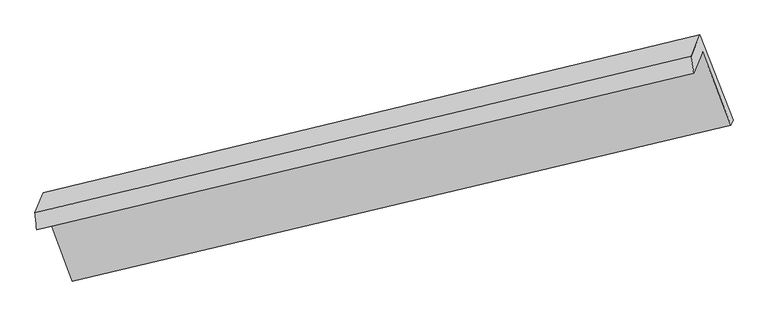
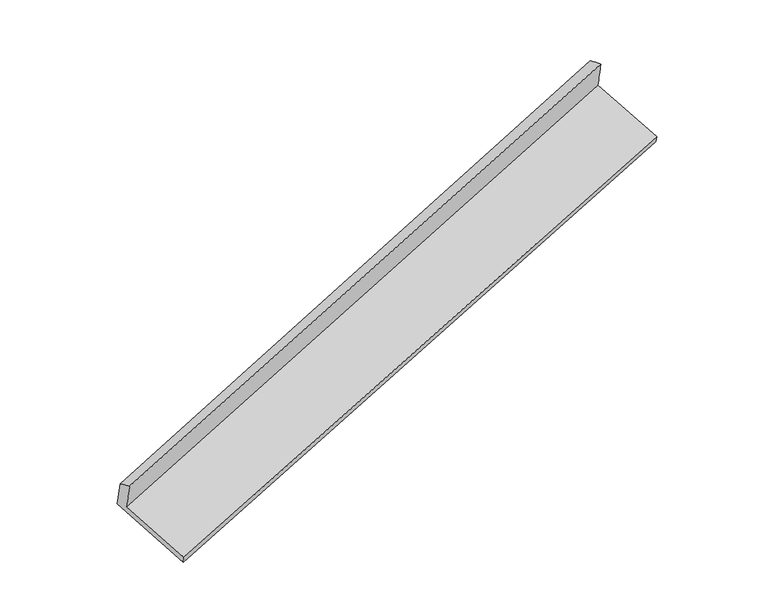
"""IFC4 building model written with IfcOpenShell, lengths in millimetres: proxy geometry."""

from ifc_helpers import new_model, si_unit, frame, origin, place, context, project, spatial, source, transform, mapped, element, save
from ifc_brep_helpers import plane_surface, spline_surface, advanced_brep


def generic_models_f76ef353(model_context):
    return source(origin(), model_context, "Body", "AdvancedBrep", [
        advanced_brep(
        [(-5906.2104538, -1993.8302948, 961.8265237), (-5660.7266301, -2650.164472, 685.760485), (335.2845192, -1232.4972053, 2606.2572215), (76.2648057, -565.8819215, 2884.681437), (-5984.8094181, -2184.6940404, 1345.705978), (-4.2437697, -761.3828099, 3277.8874747), (-6000.8486429, -2028.8524167, 1280.5082954), (-27.2454328, -605.266176, 3228.8054969), (-5925.3284007, -1845.4648165, 911.6654108), (52.9515725, -410.5218806, 2837.1211757), (-5641.6651157, -2603.8769432, 592.6635383), (354.3458043, -1186.2102334, 2513.1613947)],
        [
            (0, 1),
            (1, 2),
            (2, 3),
            (3, 0),
            (4, 0),
            (3, 5),
            (5, 4),
            (6, 4),
            (5, 7),
            (7, 6),
            (8, 6),
            (7, 9),
            (9, 8),
            (10, 8),
            (9, 11),
            (11, 10),
            (1, 10),
            (11, 2),
        ],
        [
            plane_surface(frame((-5783.4685419, -2321.9973834, 823.7935043), z_axis=(-0.17880683193160113, -0.437543306548515, 0.881240019375639), x_axis=(0.33750475288453125, -0.8686050323666391, -0.36278897382321507))),
            spline_surface(1, 1, [[(-5984.8094181, -2184.6940404, 1345.705978), (-4.2437697, -761.3828099, 3277.8874747)], [(-5906.2104538, -1993.8302948, 961.8265237), (76.2648057, -565.8819215, 2884.681437)]], [2, 2], [2, 2], [0.0, 1.0], [0.0, 1.0]),
            spline_surface(1, 1, [[(-6000.8486429, -2028.8524167, 1280.5082954), (-27.2454328, -605.266176, 3228.8054969)], [(-5984.8094181, -2184.6940404, 1345.705978), (-4.2437697, -761.3828099, 3277.8874747)]], [2, 2], [2, 2], [0.0, 1.0], [0.0, 1.0]),
            plane_surface(frame((-5963.0885218, -1937.1586166, 1096.0868531), z_axis=(-0.327044426109376, 0.8711776716589292, 0.366184936546707), x_axis=(-0.18033253726877654, -0.4379057893188399, 0.8807489402112552))),
            spline_surface(1, 1, [[(-5641.6651157, -2603.8769432, 592.6635383), (354.3458043, -1186.2102334, 2513.1613947)], [(-5925.3284007, -1845.4648165, 911.6654108), (52.9515725, -410.5218806, 2837.1211757)]], [2, 2], [2, 2], [0.0, 1.0], [0.0, 1.0]),
            plane_surface(frame((-5651.1958729, -2627.0207076, 639.2120116), z_axis=(0.3237845807271337, -0.8719519816095443, -0.3672373715331041), x_axis=(0.18033253726878234, 0.4379057893187705, -0.8807489402112885))),
            plane_surface(frame((131.2262499, -793.6267045, 2891.3190334), z_axis=(0.9238903538792511, 0.2318342973323899, 0.30443303465502775), x_axis=(-0.18033253726877654, -0.4379057893188399, 0.8807489402112552))),
            plane_surface(frame((-5853.2647769, -2217.8138306, 963.0217052), z_axis=(-0.9280325019108601, -0.2209703467207069, -0.29987961128959795), x_axis=(-0.3259386693862724, 0.8714410798088097, 0.36654389671683546))),
        ],
        [
            (0, [[1, 2, 3, 4]]),
            (1, [[5, -4, 6, 7]]),
            (2, [[8, -7, 9, 10]]),
            (3, [[11, -10, 12, 13]]),
            (4, [[14, -13, 15, 16]]),
            (5, [[17, -16, 18, -2]]),
            (6, [[-12, -9, -6, -3, -18, -15]]),
            (7, [[-1, -5, -8, -11, -14, -17]]),
        ],
    ),
    ])


if __name__ == "__main__":
    model = new_model("IFC4")
    model_context = context("Model", 3, world=origin())
    ifc_project = project(units=[si_unit("LENGTHUNIT", "METRE", prefix="MILLI")], contexts=[model_context])
    site = spatial("IfcSite", under=ifc_project)
    building = spatial("IfcBuilding", under=site)
    placement = place(None, origin())
    generic_models_shape = generic_models_f76ef353(model_context)
    element("IfcBuildingElementProxy", 1, Name="Generic Models", at=placement, inside=building, context=model_context, shape_type="MappedRepresentation", body=[
        mapped(generic_models_shape, transform((0.0, 0.0, 0.0), x_axis=(1.0, 0.0, 0.0), y_axis=(0.0, 1.0, 0.0), z_axis=(0.0, 0.0, 1.0))),
    ])
    save(model, "model.ifc")
